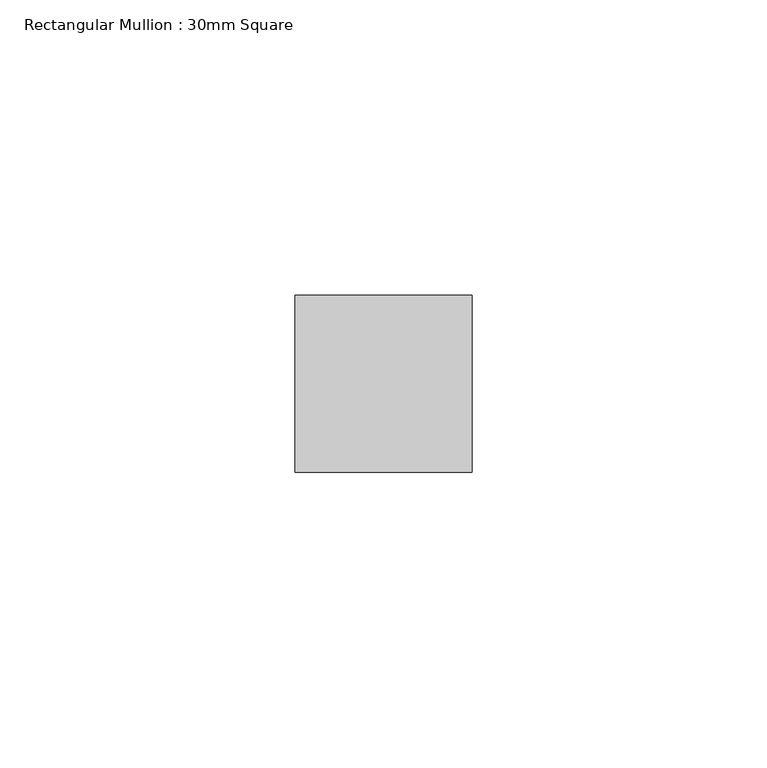
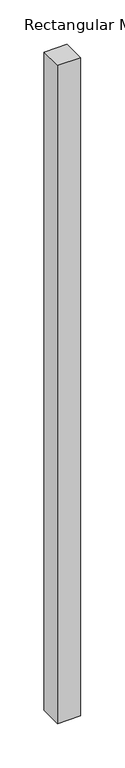
"""IFC4 building model written with IfcOpenShell, lengths in millimetres: member geometry, Rectangular Mullion : 30mm Square."""

from ifc_helpers import new_model, si_unit, frame, origin, place, context, project, spatial, polyline, outline, extrude, source, transform, mapped, element, save


def rectangular_mullion_30mm_square_2193c9de(model_context):
    return source(origin(), model_context, "Body", "SweptSolid", [
        extrude(outline(polyline([(0.0, 15.0), (0.0, -15.0), (-30.0, -15.0), (-30.0, 15.0), (0.0, 15.0)])), frame((0.0, 0.0, -905.0), z_axis=(0.0, 0.0, 1.0), x_axis=(1.0, 0.0, 0.0)), (0.0, 0.0, 1.0), 905.0),
    ])


if __name__ == "__main__":
    model = new_model("IFC4")
    model_context = context("Model", 3, world=origin())
    ifc_project = project(units=[si_unit("LENGTHUNIT", "METRE", prefix="MILLI")], contexts=[model_context])
    site = spatial("IfcSite", under=ifc_project)
    building = spatial("IfcBuilding", under=site)
    placement = place(None, origin())
    rectangular_mullion_30mm_square_shape = rectangular_mullion_30mm_square_2193c9de(model_context)
    element("IfcMember", 1, ObjectType="Rectangular Mullion : 30mm Square", at=placement, inside=building, context=model_context, shape_type="MappedRepresentation", body=[
        mapped(rectangular_mullion_30mm_square_shape, transform((0.0, 0.0, 0.0), x_axis=(1.0, 0.0, 0.0), y_axis=(0.0, 1.0, 0.0), z_axis=(0.0, 0.0, 1.0))),
    ])
    save(model, "model.ifc")
